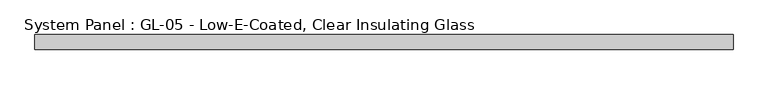
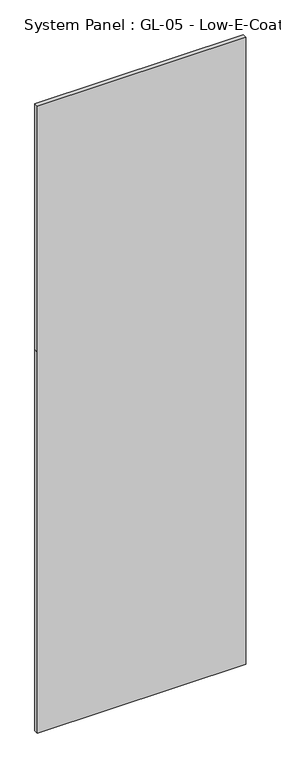
"""IFC4 building model written with IfcOpenShell, lengths in millimetres: plate geometry, System Panel : GL-05 - Low-E-Coated, Clear Insulating Glass."""

from ifc_helpers import new_model, si_unit, frame, origin, place, context, project, spatial, polyline, outline, extrude, source, transform, mapped, element, save


def system_panel_gl_05_low_e_coated_clear_insulating_glass_63dc3f5c(model_context):
    return source(origin(), model_context, "Body", "SweptSolid", [
        extrude(outline(polyline([(0.0, -590.55), (0.0, 590.55), (2286.0, 590.55), (3759.2, 590.55), (3759.2, -590.55), (2286.0, -590.55), (0.0, -590.55)])), frame((0.0, -12.7, 0.0), z_axis=(0.0, 1.0, 0.0), x_axis=(0.0, 0.0, 1.0)), (0.0, 0.0, 1.0), 25.4),
    ])


if __name__ == "__main__":
    model = new_model("IFC4")
    model_context = context("Model", 3, world=origin())
    ifc_project = project(units=[si_unit("LENGTHUNIT", "METRE", prefix="MILLI")], contexts=[model_context])
    site = spatial("IfcSite", under=ifc_project)
    building = spatial("IfcBuilding", under=site)
    placement = place(None, origin())
    system_panel_gl_05_low_e_coated_clear_insulating_glass_shape = system_panel_gl_05_low_e_coated_clear_insulating_glass_63dc3f5c(model_context)
    element("IfcPlate", 1, ObjectType="System Panel : GL-05 - Low-E-Coated, Clear Insulating Glass", at=placement, inside=building, context=model_context, shape_type="MappedRepresentation", body=[
        mapped(system_panel_gl_05_low_e_coated_clear_insulating_glass_shape, transform((0.0, 0.0, 0.0), x_axis=(1.0, 0.0, 0.0), y_axis=(0.0, 1.0, 0.0), z_axis=(0.0, 0.0, 1.0))),
    ])
    save(model, "model.ifc")
